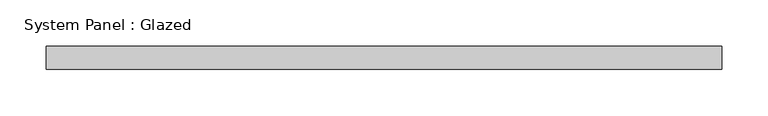
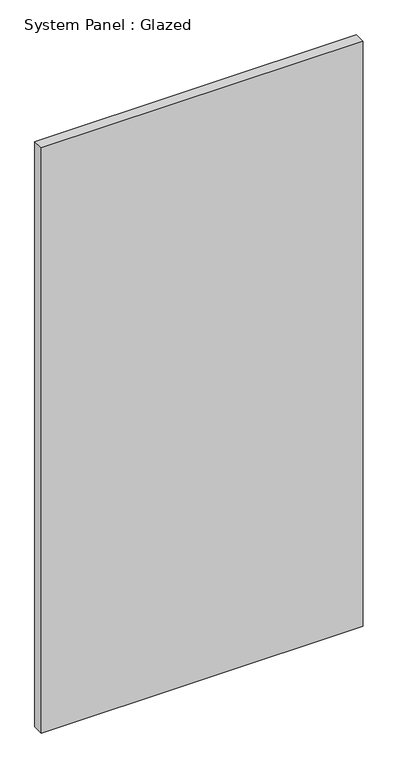
"""IFC4 building model written with IfcOpenShell, lengths in millimetres: plate geometry, System Panel : Glazed."""

from ifc_helpers import new_model, si_unit, origin, origin_with_axes, place, context, project, spatial, polyline, outline, extrude, source, transform, mapped, element, save


def system_panel_glazed_3eac06df(model_context):
    return source(origin(), model_context, "Body", "SweptSolid", [
        extrude(outline(polyline([(366.7125, -44.45), (-366.7125, -44.45), (-366.7125, -19.05), (366.7125, -19.05), (366.7125, -44.45)])), origin_with_axes(), (0.0, 0.0, 1.0), 1409.7),
    ])


if __name__ == "__main__":
    model = new_model("IFC4")
    model_context = context("Model", 3, world=origin())
    ifc_project = project(units=[si_unit("LENGTHUNIT", "METRE", prefix="MILLI")], contexts=[model_context])
    site = spatial("IfcSite", under=ifc_project)
    building = spatial("IfcBuilding", under=site)
    placement = place(None, origin())
    system_panel_glazed_shape = system_panel_glazed_3eac06df(model_context)
    element("IfcPlate", 1, ObjectType="System Panel : Glazed", at=placement, inside=building, context=model_context, shape_type="MappedRepresentation", body=[
        mapped(system_panel_glazed_shape, transform((0.0, 0.0, 0.0), x_axis=(1.0, 0.0, 0.0), y_axis=(0.0, 1.0, 0.0), z_axis=(0.0, 0.0, 1.0))),
    ])
    save(model, "model.ifc")
